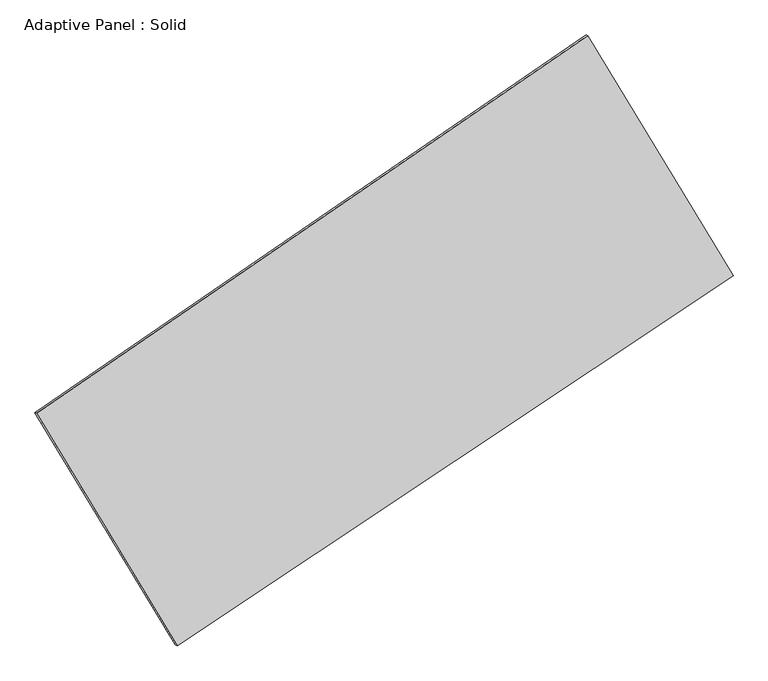
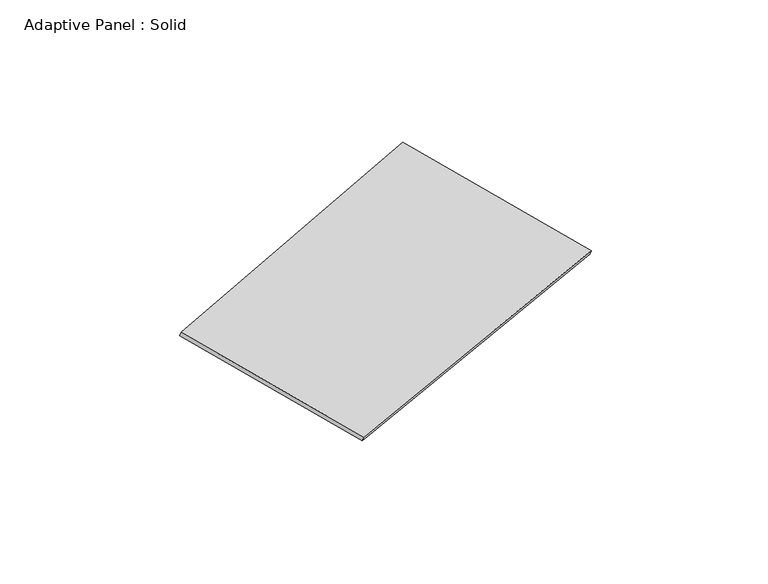
"""IFC4 building model written with IfcOpenShell, lengths in millimetres: plate geometry, Adaptive Panel : Solid."""

from ifc_helpers import new_model, si_unit, frame, origin, place, context, project, spatial, polyline, outline, extrude, source, transform, mapped, element, save


def adaptive_panel_solid_957a6b21(model_context):
    return source(origin(), model_context, "Body", "SweptSolid", [
        extrude(outline(polyline([(-1261.9847343, 2941.1890743), (1261.9847342, 2941.1890743), (1220.0507508, -2941.1890743), (-1220.0507507, -2941.1890743), (-1261.9847343, 2941.1890743)])), frame((-650.8226445, -100.0621432, 871.2806301), z_axis=(0.29332711661117683, -0.12760186928687106, 0.9474581603506667), x_axis=(0.4988942408938713, -0.8249740423364667, -0.26556047498443347)), (0.0, 0.0, 1.0), 50.0),
    ])


if __name__ == "__main__":
    model = new_model("IFC4")
    model_context = context("Model", 3, world=origin())
    ifc_project = project(units=[si_unit("LENGTHUNIT", "METRE", prefix="MILLI")], contexts=[model_context])
    site = spatial("IfcSite", under=ifc_project)
    building = spatial("IfcBuilding", under=site)
    placement = place(None, origin())
    adaptive_panel_solid_shape = adaptive_panel_solid_957a6b21(model_context)
    element("IfcPlate", 1, ObjectType="Adaptive Panel : Solid", at=placement, inside=building, context=model_context, shape_type="MappedRepresentation", body=[
        mapped(adaptive_panel_solid_shape, transform((0.0, 0.0, 0.0), x_axis=(1.0, 0.0, 0.0), y_axis=(0.0, 1.0, 0.0), z_axis=(0.0, 0.0, 1.0))),
    ])
    save(model, "model.ifc")
